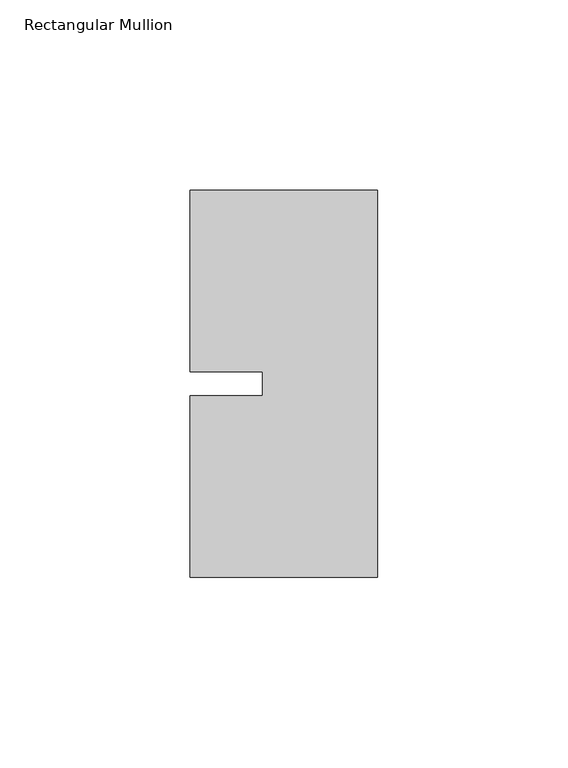
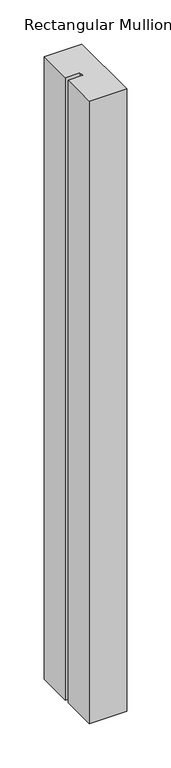
"""IFC4 building model written with IfcOpenShell, lengths in millimetres: member geometry, Rectangular Mullion."""

from ifc_helpers import new_model, si_unit, frame, origin, place, context, project, spatial, polyline, outline, extrude, source, transform, mapped, element, save


def rectangular_mullion_727d195f(model_context):
    return source(origin(), model_context, "Body", "SweptSolid", [
        extrude(outline(polyline([(-49.2125, 50.8), (0.0, 50.8), (0.0, -50.8), (-49.2125, -50.8), (-49.2125, -3.175), (-30.1625, -3.175), (-30.1625, 3.175), (-49.2125, 3.175), (-49.2125, 50.8)])), frame((0.0, 0.0, -860.425), z_axis=(0.0, 0.0, 1.0), x_axis=(1.0, 0.0, 0.0)), (0.0, 0.0, 1.0), 860.425),
    ])


if __name__ == "__main__":
    model = new_model("IFC4")
    model_context = context("Model", 3, world=origin())
    ifc_project = project(units=[si_unit("LENGTHUNIT", "METRE", prefix="MILLI")], contexts=[model_context])
    site = spatial("IfcSite", under=ifc_project)
    building = spatial("IfcBuilding", under=site)
    placement = place(None, origin())
    rectangular_mullion_shape = rectangular_mullion_727d195f(model_context)
    element("IfcMember", 1, ObjectType="Rectangular Mullion", at=placement, inside=building, context=model_context, shape_type="MappedRepresentation", body=[
        mapped(rectangular_mullion_shape, transform((0.0, 0.0, 0.0), x_axis=(1.0, 0.0, 0.0), y_axis=(0.0, 1.0, 0.0), z_axis=(0.0, 0.0, 1.0))),
    ])
    save(model, "model.ifc")
